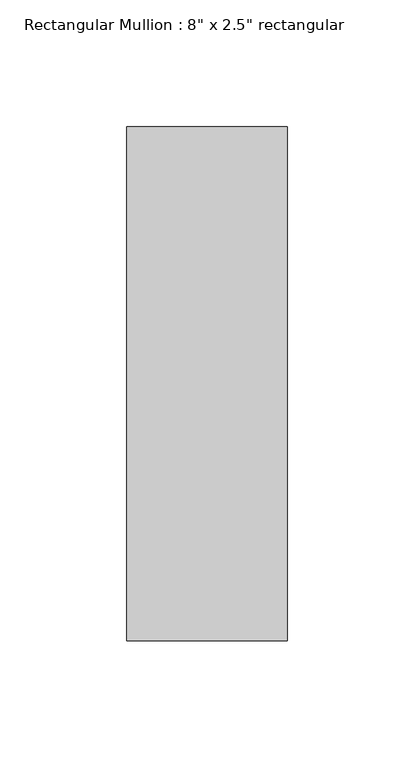
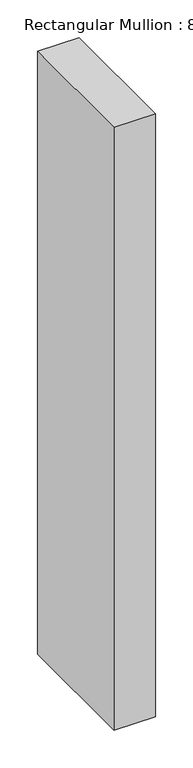
"""IFC4 building model written with IfcOpenShell, lengths in millimetres: member geometry."""

from ifc_helpers import new_model, si_unit, frame, origin, place, context, project, spatial, polyline, outline, extrude, source, transform, mapped, element, save


def member_c399cb6b(model_context):
    return source(origin(), model_context, "Body", "SweptSolid", [
        extrude(outline(polyline([(0.0, 88.9), (0.0, -114.3), (-63.5, -114.3), (-63.5, 88.9), (0.0, 88.9)])), frame((0.0, 0.0, -977.265), z_axis=(0.0, 0.0, 1.0), x_axis=(1.0, 0.0, 0.0)), (0.0, 0.0, 1.0), 977.265),
    ])


if __name__ == "__main__":
    model = new_model("IFC4")
    model_context = context("Model", 3, world=origin())
    ifc_project = project(units=[si_unit("LENGTHUNIT", "METRE", prefix="MILLI")], contexts=[model_context])
    site = spatial("IfcSite", under=ifc_project)
    building = spatial("IfcBuilding", under=site)
    placement = place(None, origin())
    member_shape = member_c399cb6b(model_context)
    element("IfcMember", 1, ObjectType="Rectangular Mullion : 8\" x 2.5\" rectangular", at=placement, inside=building, context=model_context, shape_type="MappedRepresentation", body=[
        mapped(member_shape, transform((0.0, 0.0, 0.0), x_axis=(1.0, 0.0, 0.0), y_axis=(0.0, 1.0, 0.0), z_axis=(0.0, 0.0, 1.0))),
    ])
    save(model, "model.ifc")
